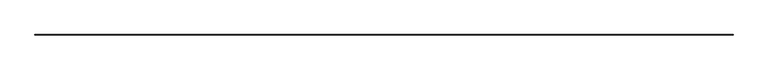
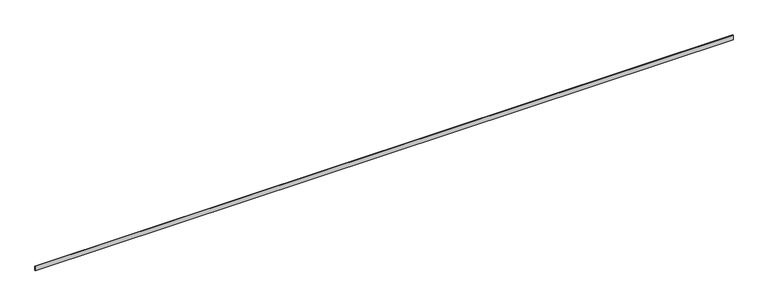
"""IFC4 building model written with IfcOpenShell, lengths in millimetres: furniture geometry."""

import ifcopenshell
import ifcopenshell.guid

model = None  # the IFC model being written
_history = None  # IfcOwnerHistory: only IFC2X3 demands one
_inside = {}  # id of a spatial element -> (the spatial element, [elements in it])
_under = {}  # id of a project, library or spatial element -> (it, [spatial elements below it])
_declared = {}  # id of a project -> (the project, [libraries it declares])
_typed = {}  # id of a type object -> (the type object, [elements of that type])
_made_of = {}  # id of a material, layer set ... -> (it, [elements and type objects made of it])


def new_model(schema):
    """Start an empty IFC model of exactly this schema.

    Asked for "IFC4X3", IfcOpenShell would pick the latest addendum, in which some entities
    have other attributes; the version numbers below select the first issue.
    IFC2X3 requires an IfcOwnerHistory on every rooted entity: one is made here for all.
    """
    global model, _history
    if schema == "IFC4X3":
        model = ifcopenshell.file(schema_version=(4, 3, 0, 0))
    else:
        model = ifcopenshell.file(schema=schema)
    _inside.clear()
    _under.clear()
    _declared.clear()
    _typed.clear()
    _made_of.clear()
    _history = None
    if model.schema == "IFC2X3":
        org = make("IfcOrganization", Name="unknown")
        user = make(
            "IfcPersonAndOrganization",
            ThePerson=make("IfcPerson", FamilyName="unknown"),
            TheOrganization=org,
        )
        app = make(
            "IfcApplication",
            ApplicationDeveloper=org,
            Version="unknown",
            ApplicationFullName="unknown",
            ApplicationIdentifier="unknown",
        )
        _history = make(
            "IfcOwnerHistory",
            OwningUser=user,
            OwningApplication=app,
            ChangeAction="ADDED",
            CreationDate=0,
        )
    return model


def make(cls, **values):
    """One entity of the class cls with the attributes given. An attribute that is None is left unset."""
    return model.create_entity(
        cls, **{name: value for name, value in values.items() if value is not None}
    )


def rooted(cls, **values):
    """An entity with a GlobalId (a new one), such as an element, a storey or a relation."""
    return make(cls, GlobalId=ifcopenshell.guid.new(), OwnerHistory=_history, **values)


def si_unit(unit_type, name, prefix=None):
    """IfcSIUnit, for example si_unit("LENGTHUNIT", "METRE", prefix="MILLI")."""
    return make("IfcSIUnit", UnitType=unit_type, Prefix=prefix, Name=name)


def assignment(units):
    """IfcUnitAssignment: the units of a project."""
    return None if units is None else make("IfcUnitAssignment", Units=units)


def point(xyz):
    """IfcCartesianPoint."""
    return None if xyz is None else make("IfcCartesianPoint", Coordinates=xyz)


def direction(xyz):
    """IfcDirection."""
    return None if xyz is None else make("IfcDirection", DirectionRatios=xyz)


def frame(location, z_axis=None, x_axis=None):
    """IfcAxis2Placement3D, a coordinate frame: its origin and axes. An axis left out is left unset."""
    return make(
        "IfcAxis2Placement3D",
        Location=point(location),
        Axis=direction(z_axis),
        RefDirection=direction(x_axis),
    )


def origin():
    """The frame at (0, 0, 0) with its axes left unset."""
    return frame((0.0, 0.0, 0.0))


def origin_with_axes():
    """The frame at (0, 0, 0) with the z axis (0, 0, 1) and the x axis (1, 0, 0) written out."""
    return frame((0.0, 0.0, 0.0), z_axis=(0.0, 0.0, 1.0), x_axis=(1.0, 0.0, 0.0))


def place(relative_to, where):
    """IfcLocalPlacement: puts the frame where relative to a parent placement (None: the world)."""
    return make(
        "IfcLocalPlacement", PlacementRelTo=relative_to, RelativePlacement=where
    )


def context(
    kind, dimensions, precision=None, world=None, true_north=None, identifier=None
):
    """IfcGeometricRepresentationContext, for example the 3D "Model" context."""
    return make(
        "IfcGeometricRepresentationContext",
        ContextIdentifier=identifier,
        ContextType=kind,
        CoordinateSpaceDimension=dimensions,
        Precision=precision,
        WorldCoordinateSystem=world,
        TrueNorth=true_north,
    )


def project(units=None, contexts=None):
    """IfcProject with its units and contexts."""
    return rooted(
        "IfcProject",
        Name="project",
        RepresentationContexts=contexts,
        UnitsInContext=assignment(units),
    )


def spatial(cls, under=None, at=None, **own):
    """A site, building, storey or space (cls), placed at a placement, below another one or the project."""
    s = rooted(cls, ObjectPlacement=at, **own)
    if under is not None:
        _under.setdefault(under.id(), (under, []))[1].append(s)
    return s


def polyline(points):
    """IfcPolyline through the points."""
    return make("IfcPolyline", Points=[point(p) for p in points])


def outline(outer, holes=None, kind="AREA"):
    """IfcArbitraryClosedProfileDef: a profile drawn as a closed curve; with holes, ...WithVoids."""
    if holes is None:
        return make("IfcArbitraryClosedProfileDef", ProfileType=kind, OuterCurve=outer)
    return make(
        "IfcArbitraryProfileDefWithVoids",
        ProfileType=kind,
        OuterCurve=outer,
        InnerCurves=holes,
    )


def extrude(swept, where, along, depth):
    """IfcExtrudedAreaSolid: the profile swept, set in the frame where, extruded along a direction by depth."""
    return make(
        "IfcExtrudedAreaSolid",
        SweptArea=swept,
        Position=where,
        ExtrudedDirection=direction(along),
        Depth=depth,
    )


def shape(context_of_items, identifier, shape_type, items):
    """IfcShapeRepresentation: the items that make up one representation, for example the "Body"."""
    return make(
        "IfcShapeRepresentation",
        ContextOfItems=context_of_items,
        RepresentationIdentifier=identifier,
        RepresentationType=shape_type,
        Items=items,
    )


def source(mapping_origin, context_of_items, identifier, shape_type, items):
    """IfcRepresentationMap: a shape defined once, which mapped items show again and again."""
    return make(
        "IfcRepresentationMap",
        MappingOrigin=mapping_origin,
        MappedRepresentation=shape(context_of_items, identifier, shape_type, items),
    )


def transform(
    local_origin,
    x_axis=None,
    y_axis=None,
    z_axis=None,
    scale=None,
    scale2=None,
    scale3=None,
    uniform=True,
):
    """IfcCartesianTransformationOperator3D, or its non-uniform kind. x_axis, y_axis, z_axis: its Axis1, 2, 3."""
    if uniform:
        return make(
            "IfcCartesianTransformationOperator3D",
            Axis1=direction(x_axis),
            Axis2=direction(y_axis),
            LocalOrigin=point(local_origin),
            Scale=scale,
            Axis3=direction(z_axis),
        )
    return make(
        "IfcCartesianTransformationOperator3DnonUniform",
        Axis1=direction(x_axis),
        Axis2=direction(y_axis),
        LocalOrigin=point(local_origin),
        Scale=scale,
        Axis3=direction(z_axis),
        Scale2=scale2,
        Scale3=scale3,
    )


def mapped(mapping_source, mapping_target):
    """IfcMappedItem: shows the shape of a source again, moved by a transform."""
    return make(
        "IfcMappedItem", MappingSource=mapping_source, MappingTarget=mapping_target
    )


def made_of(thing, what):
    """Note that an element or type object is made of a material, layer set ...; save() writes the relation."""
    if what is not None:
        _made_of.setdefault(what.id(), (what, []))[1].append(thing)
    return thing


def element(
    cls,
    number,
    at=None,
    inside=None,
    cuts=None,
    type_object=None,
    material=None,
    context=None,
    identifier="Body",
    shape_type=None,
    held_by="IfcProductDefinitionShape",
    body=None,
    shapes=None,
    **own,
):
    """One element of the class cls, such as IfcWall. Its Tag is "e" and its number.

    at: its placement. inside: the storey or other place that contains it. cuts: it is an
    opening in that element (IfcRelVoidsElement). A single representation is given by context,
    identifier, shape_type and body (its items); several are given by shapes. held_by: the class
    of the entity that holds the representations. save() writes the other relations.
    """
    e = rooted(cls, Tag="e%d" % number, ObjectPlacement=at, **own)
    if body is not None:
        shapes = [shape(context, identifier, shape_type, body)]
    if shapes is not None:
        e.Representation = make(held_by, Representations=shapes)
    if inside is not None:
        _inside.setdefault(inside.id(), (inside, []))[1].append(e)
    if cuts is not None:
        rooted(
            "IfcRelVoidsElement", RelatingBuildingElement=cuts, RelatedOpeningElement=e
        )
    if type_object is not None:
        _typed.setdefault(type_object.id(), (type_object, []))[1].append(e)
    return made_of(e, material)


def aggregate(whole, parts):
    """IfcRelAggregates: a whole, such as a stair, and the parts it consists of."""
    return rooted("IfcRelAggregates", RelatingObject=whole, RelatedObjects=parts)


def save(model, path):
    """Write the relations noted so far, then the file.

    IfcRelAggregates (storeys below a building ...), IfcRelContainedInSpatialStructure (elements
    in a storey), IfcRelDefinesByType, IfcRelAssociatesMaterial and IfcRelDeclares: one each for
    every whole, place, type object, material and project.
    """
    for whole, parts in _under.values():
        aggregate(whole, parts)
    for where, things in _inside.values():
        rooted(
            "IfcRelContainedInSpatialStructure",
            RelatedElements=things,
            RelatingStructure=where,
        )
    for kind, things in _typed.values():
        rooted("IfcRelDefinesByType", RelatedObjects=things, RelatingType=kind)
    for what, things in _made_of.values():
        rooted("IfcRelAssociatesMaterial", RelatedObjects=things, RelatingMaterial=what)
    for by, libraries in _declared.values():
        rooted("IfcRelDeclares", RelatingContext=by, RelatedDefinitions=libraries)
    model.write(path)


def furniture_69b5c97d(model_context):
    return source(origin(), model_context, "Body", "SweptSolid", [
        extrude(outline(polyline([(0.0, 0.0), (0.0, 10.0), (15136.9342648, 10.0), (15136.9342648, 0.0), (0.0, 0.0)])), origin_with_axes(), (0.0, 0.0, 1.0), 100.0),
    ])


if __name__ == "__main__":
    model = new_model("IFC4")
    model_context = context("Model", 3, world=origin())
    ifc_project = project(units=[si_unit("LENGTHUNIT", "METRE", prefix="MILLI")], contexts=[model_context])
    site = spatial("IfcSite", under=ifc_project)
    building = spatial("IfcBuilding", under=site)
    placement = place(None, origin())
    furniture_shape = furniture_69b5c97d(model_context)
    element("IfcFurniture", 1, at=placement, inside=building, context=model_context, shape_type="MappedRepresentation", body=[
        mapped(furniture_shape, transform((0.0, 0.0, 0.0), x_axis=(1.0, 0.0, 0.0), y_axis=(0.0, 1.0, 0.0), z_axis=(0.0, 0.0, 1.0))),
    ])
    save(model, "model.ifc")
